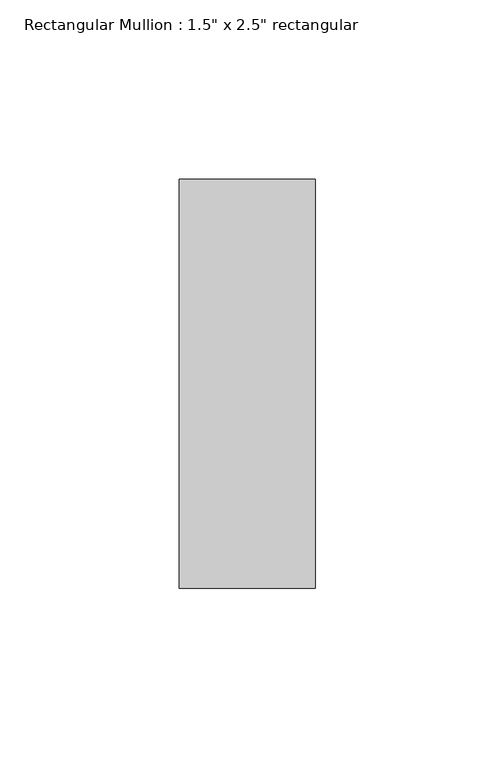
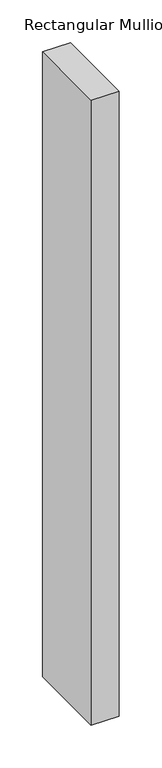
"""IFC4 building model written with IfcOpenShell, lengths in millimetres: member geometry."""

from ifc_helpers import new_model, si_unit, frame, origin, place, context, project, spatial, polyline, outline, extrude, source, transform, mapped, element, save


def member_ada847e3(model_context):
    return source(origin(), model_context, "Body", "SweptSolid", [
        extrude(outline(polyline([(0.0, 57.15), (0.0, -57.15), (-38.1, -57.15), (-38.1, 57.15), (0.0, 57.15)])), frame((0.0, 0.0, -895.3219951), z_axis=(0.0, 0.0, 1.0), x_axis=(1.0, 0.0, 0.0)), (0.0, 0.0, 1.0), 895.3219951),
    ])


if __name__ == "__main__":
    model = new_model("IFC4")
    model_context = context("Model", 3, world=origin())
    ifc_project = project(units=[si_unit("LENGTHUNIT", "METRE", prefix="MILLI")], contexts=[model_context])
    site = spatial("IfcSite", under=ifc_project)
    building = spatial("IfcBuilding", under=site)
    placement = place(None, origin())
    member_shape = member_ada847e3(model_context)
    element("IfcMember", 1, ObjectType="Rectangular Mullion : 1.5\" x 2.5\" rectangular", at=placement, inside=building, context=model_context, shape_type="MappedRepresentation", body=[
        mapped(member_shape, transform((0.0, 0.0, 0.0), x_axis=(1.0, 0.0, 0.0), y_axis=(0.0, 1.0, 0.0), z_axis=(0.0, 0.0, 1.0))),
    ])
    save(model, "model.ifc")
